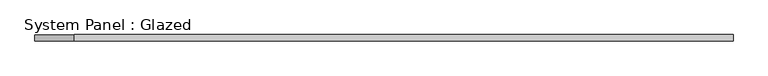
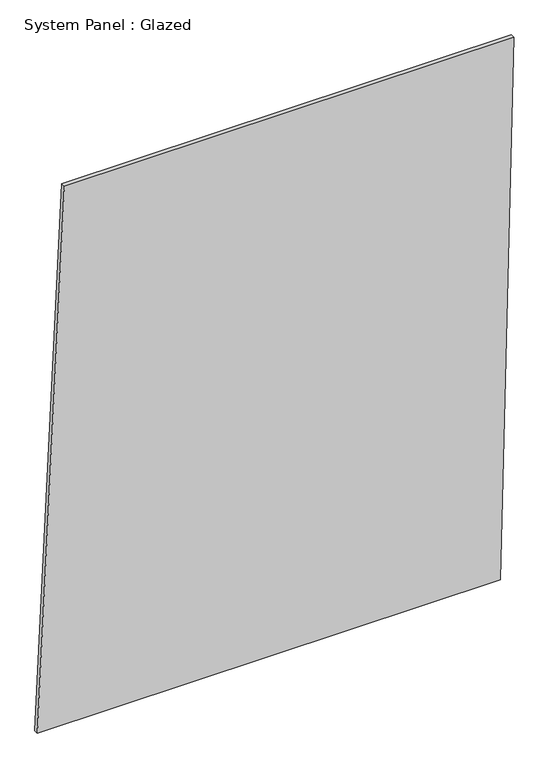
"""IFC4 building model written with IfcOpenShell, lengths in millimetres: plate geometry, System Panel : Glazed."""

from ifc_helpers import new_model, si_unit, frame, origin, place, context, project, spatial, polyline, outline, extrude, source, transform, mapped, element, save


def system_panel_glazed_7b2dd768(model_context):
    return source(origin(), model_context, "Body", "SweptSolid", [
        extrude(outline(polyline([(0.0, -1401.7784419), (0.0, 1322.3127617), (3342.1587785, 1401.7784419), (3342.1587785, -1242.8470816), (0.0, -1401.7784419)])), frame((0.0, -49.5, 0.0), z_axis=(0.0, 1.0, 0.0), x_axis=(0.0, 0.0, 1.0)), (0.0, 0.0, 1.0), 25.0),
    ])


if __name__ == "__main__":
    model = new_model("IFC4")
    model_context = context("Model", 3, world=origin())
    ifc_project = project(units=[si_unit("LENGTHUNIT", "METRE", prefix="MILLI")], contexts=[model_context])
    site = spatial("IfcSite", under=ifc_project)
    building = spatial("IfcBuilding", under=site)
    placement = place(None, origin())
    system_panel_glazed_shape = system_panel_glazed_7b2dd768(model_context)
    element("IfcPlate", 1, ObjectType="System Panel : Glazed", at=placement, inside=building, context=model_context, shape_type="MappedRepresentation", body=[
        mapped(system_panel_glazed_shape, transform((0.0, 0.0, 0.0), x_axis=(1.0, 0.0, 0.0), y_axis=(0.0, 1.0, 0.0), z_axis=(0.0, 0.0, 1.0))),
    ])
    save(model, "model.ifc")
